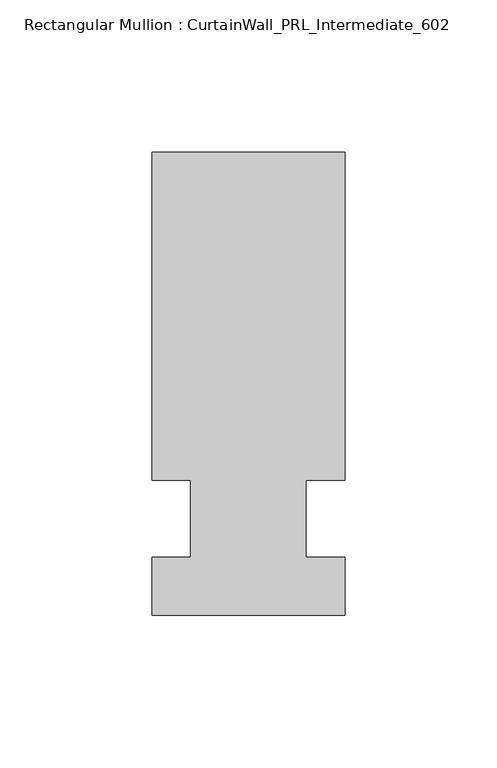
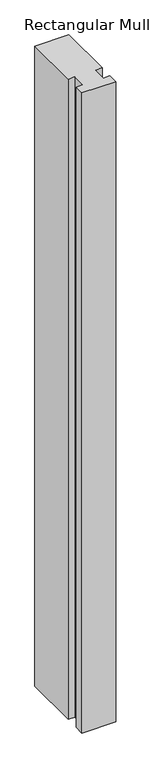
"""IFC4 building model written with IfcOpenShell, lengths in millimetres: member geometry, Rectangular Mullion : CurtainWall_PRL_Intermediate_602."""

import ifcopenshell
import ifcopenshell.guid

model = None  # the IFC model being written
_history = None  # IfcOwnerHistory: only IFC2X3 demands one
_inside = {}  # id of a spatial element -> (the spatial element, [elements in it])
_under = {}  # id of a project, library or spatial element -> (it, [spatial elements below it])
_declared = {}  # id of a project -> (the project, [libraries it declares])
_typed = {}  # id of a type object -> (the type object, [elements of that type])
_made_of = {}  # id of a material, layer set ... -> (it, [elements and type objects made of it])


def new_model(schema):
    """Start an empty IFC model of exactly this schema.

    Asked for "IFC4X3", IfcOpenShell would pick the latest addendum, in which some entities
    have other attributes; the version numbers below select the first issue.
    IFC2X3 requires an IfcOwnerHistory on every rooted entity: one is made here for all.
    """
    global model, _history
    if schema == "IFC4X3":
        model = ifcopenshell.file(schema_version=(4, 3, 0, 0))
    else:
        model = ifcopenshell.file(schema=schema)
    _inside.clear()
    _under.clear()
    _declared.clear()
    _typed.clear()
    _made_of.clear()
    _history = None
    if model.schema == "IFC2X3":
        org = make("IfcOrganization", Name="unknown")
        user = make(
            "IfcPersonAndOrganization",
            ThePerson=make("IfcPerson", FamilyName="unknown"),
            TheOrganization=org,
        )
        app = make(
            "IfcApplication",
            ApplicationDeveloper=org,
            Version="unknown",
            ApplicationFullName="unknown",
            ApplicationIdentifier="unknown",
        )
        _history = make(
            "IfcOwnerHistory",
            OwningUser=user,
            OwningApplication=app,
            ChangeAction="ADDED",
            CreationDate=0,
        )
    return model


def make(cls, **values):
    """One entity of the class cls with the attributes given. An attribute that is None is left unset."""
    return model.create_entity(
        cls, **{name: value for name, value in values.items() if value is not None}
    )


def rooted(cls, **values):
    """An entity with a GlobalId (a new one), such as an element, a storey or a relation."""
    return make(cls, GlobalId=ifcopenshell.guid.new(), OwnerHistory=_history, **values)


def si_unit(unit_type, name, prefix=None):
    """IfcSIUnit, for example si_unit("LENGTHUNIT", "METRE", prefix="MILLI")."""
    return make("IfcSIUnit", UnitType=unit_type, Prefix=prefix, Name=name)


def assignment(units):
    """IfcUnitAssignment: the units of a project."""
    return None if units is None else make("IfcUnitAssignment", Units=units)


def point(xyz):
    """IfcCartesianPoint."""
    return None if xyz is None else make("IfcCartesianPoint", Coordinates=xyz)


def direction(xyz):
    """IfcDirection."""
    return None if xyz is None else make("IfcDirection", DirectionRatios=xyz)


def frame(location, z_axis=None, x_axis=None):
    """IfcAxis2Placement3D, a coordinate frame: its origin and axes. An axis left out is left unset."""
    return make(
        "IfcAxis2Placement3D",
        Location=point(location),
        Axis=direction(z_axis),
        RefDirection=direction(x_axis),
    )


def origin():
    """The frame at (0, 0, 0) with its axes left unset."""
    return frame((0.0, 0.0, 0.0))


def place(relative_to, where):
    """IfcLocalPlacement: puts the frame where relative to a parent placement (None: the world)."""
    return make(
        "IfcLocalPlacement", PlacementRelTo=relative_to, RelativePlacement=where
    )


def context(
    kind, dimensions, precision=None, world=None, true_north=None, identifier=None
):
    """IfcGeometricRepresentationContext, for example the 3D "Model" context."""
    return make(
        "IfcGeometricRepresentationContext",
        ContextIdentifier=identifier,
        ContextType=kind,
        CoordinateSpaceDimension=dimensions,
        Precision=precision,
        WorldCoordinateSystem=world,
        TrueNorth=true_north,
    )


def project(units=None, contexts=None):
    """IfcProject with its units and contexts."""
    return rooted(
        "IfcProject",
        Name="project",
        RepresentationContexts=contexts,
        UnitsInContext=assignment(units),
    )


def spatial(cls, under=None, at=None, **own):
    """A site, building, storey or space (cls), placed at a placement, below another one or the project."""
    s = rooted(cls, ObjectPlacement=at, **own)
    if under is not None:
        _under.setdefault(under.id(), (under, []))[1].append(s)
    return s


def polyline(points):
    """IfcPolyline through the points."""
    return make("IfcPolyline", Points=[point(p) for p in points])


def outline(outer, holes=None, kind="AREA"):
    """IfcArbitraryClosedProfileDef: a profile drawn as a closed curve; with holes, ...WithVoids."""
    if holes is None:
        return make("IfcArbitraryClosedProfileDef", ProfileType=kind, OuterCurve=outer)
    return make(
        "IfcArbitraryProfileDefWithVoids",
        ProfileType=kind,
        OuterCurve=outer,
        InnerCurves=holes,
    )


def extrude(swept, where, along, depth):
    """IfcExtrudedAreaSolid: the profile swept, set in the frame where, extruded along a direction by depth."""
    return make(
        "IfcExtrudedAreaSolid",
        SweptArea=swept,
        Position=where,
        ExtrudedDirection=direction(along),
        Depth=depth,
    )


def shape(context_of_items, identifier, shape_type, items):
    """IfcShapeRepresentation: the items that make up one representation, for example the "Body"."""
    return make(
        "IfcShapeRepresentation",
        ContextOfItems=context_of_items,
        RepresentationIdentifier=identifier,
        RepresentationType=shape_type,
        Items=items,
    )


def source(mapping_origin, context_of_items, identifier, shape_type, items):
    """IfcRepresentationMap: a shape defined once, which mapped items show again and again."""
    return make(
        "IfcRepresentationMap",
        MappingOrigin=mapping_origin,
        MappedRepresentation=shape(context_of_items, identifier, shape_type, items),
    )


def transform(
    local_origin,
    x_axis=None,
    y_axis=None,
    z_axis=None,
    scale=None,
    scale2=None,
    scale3=None,
    uniform=True,
):
    """IfcCartesianTransformationOperator3D, or its non-uniform kind. x_axis, y_axis, z_axis: its Axis1, 2, 3."""
    if uniform:
        return make(
            "IfcCartesianTransformationOperator3D",
            Axis1=direction(x_axis),
            Axis2=direction(y_axis),
            LocalOrigin=point(local_origin),
            Scale=scale,
            Axis3=direction(z_axis),
        )
    return make(
        "IfcCartesianTransformationOperator3DnonUniform",
        Axis1=direction(x_axis),
        Axis2=direction(y_axis),
        LocalOrigin=point(local_origin),
        Scale=scale,
        Axis3=direction(z_axis),
        Scale2=scale2,
        Scale3=scale3,
    )


def mapped(mapping_source, mapping_target):
    """IfcMappedItem: shows the shape of a source again, moved by a transform."""
    return make(
        "IfcMappedItem", MappingSource=mapping_source, MappingTarget=mapping_target
    )


def made_of(thing, what):
    """Note that an element or type object is made of a material, layer set ...; save() writes the relation."""
    if what is not None:
        _made_of.setdefault(what.id(), (what, []))[1].append(thing)
    return thing


def element(
    cls,
    number,
    at=None,
    inside=None,
    cuts=None,
    type_object=None,
    material=None,
    context=None,
    identifier="Body",
    shape_type=None,
    held_by="IfcProductDefinitionShape",
    body=None,
    shapes=None,
    **own,
):
    """One element of the class cls, such as IfcWall. Its Tag is "e" and its number.

    at: its placement. inside: the storey or other place that contains it. cuts: it is an
    opening in that element (IfcRelVoidsElement). A single representation is given by context,
    identifier, shape_type and body (its items); several are given by shapes. held_by: the class
    of the entity that holds the representations. save() writes the other relations.
    """
    e = rooted(cls, Tag="e%d" % number, ObjectPlacement=at, **own)
    if body is not None:
        shapes = [shape(context, identifier, shape_type, body)]
    if shapes is not None:
        e.Representation = make(held_by, Representations=shapes)
    if inside is not None:
        _inside.setdefault(inside.id(), (inside, []))[1].append(e)
    if cuts is not None:
        rooted(
            "IfcRelVoidsElement", RelatingBuildingElement=cuts, RelatedOpeningElement=e
        )
    if type_object is not None:
        _typed.setdefault(type_object.id(), (type_object, []))[1].append(e)
    return made_of(e, material)


def aggregate(whole, parts):
    """IfcRelAggregates: a whole, such as a stair, and the parts it consists of."""
    return rooted("IfcRelAggregates", RelatingObject=whole, RelatedObjects=parts)


def save(model, path):
    """Write the relations noted so far, then the file.

    IfcRelAggregates (storeys below a building ...), IfcRelContainedInSpatialStructure (elements
    in a storey), IfcRelDefinesByType, IfcRelAssociatesMaterial and IfcRelDeclares: one each for
    every whole, place, type object, material and project.
    """
    for whole, parts in _under.values():
        aggregate(whole, parts)
    for where, things in _inside.values():
        rooted(
            "IfcRelContainedInSpatialStructure",
            RelatedElements=things,
            RelatingStructure=where,
        )
    for kind, things in _typed.values():
        rooted("IfcRelDefinesByType", RelatedObjects=things, RelatingType=kind)
    for what, things in _made_of.values():
        rooted("IfcRelAssociatesMaterial", RelatedObjects=things, RelatingMaterial=what)
    for by, libraries in _declared.values():
        rooted("IfcRelDeclares", RelatingContext=by, RelatedDefinitions=libraries)
    model.write(path)


def rectangular_mullion_curtainwall_prl_intermediate_602_37ea716f(model_context):
    return source(origin(), model_context, "Body", "SweptSolid", [
        extrude(outline(polyline([(-19.05, 12.7), (-31.75, 12.7), (-31.75, 120.65), (31.75, 120.65), (31.75, 12.7), (19.05, 12.7), (19.05, -12.7), (31.75, -12.7), (31.75, -31.75), (-31.75, -31.75), (-31.75, -12.7), (-19.05, -12.7), (-19.05, 12.7)])), frame((0.0, 0.0, -1266.6805491), z_axis=(0.0, 0.0, 1.0), x_axis=(1.0, 0.0, 0.0)), (0.0, 0.0, 1.0), 1266.6805491),
    ])


if __name__ == "__main__":
    model = new_model("IFC4")
    model_context = context("Model", 3, world=origin())
    ifc_project = project(units=[si_unit("LENGTHUNIT", "METRE", prefix="MILLI")], contexts=[model_context])
    site = spatial("IfcSite", under=ifc_project)
    building = spatial("IfcBuilding", under=site)
    placement = place(None, origin())
    rectangular_mullion_curtainwall_prl_intermediate_602_shape = rectangular_mullion_curtainwall_prl_intermediate_602_37ea716f(model_context)
    element("IfcMember", 1, ObjectType="Rectangular Mullion : CurtainWall_PRL_Intermediate_602", at=placement, inside=building, context=model_context, shape_type="MappedRepresentation", body=[
        mapped(rectangular_mullion_curtainwall_prl_intermediate_602_shape, transform((0.0, 0.0, 0.0), x_axis=(1.0, 0.0, 0.0), y_axis=(0.0, 1.0, 0.0), z_axis=(0.0, 0.0, 1.0))),
    ])
    save(model, "model.ifc")
